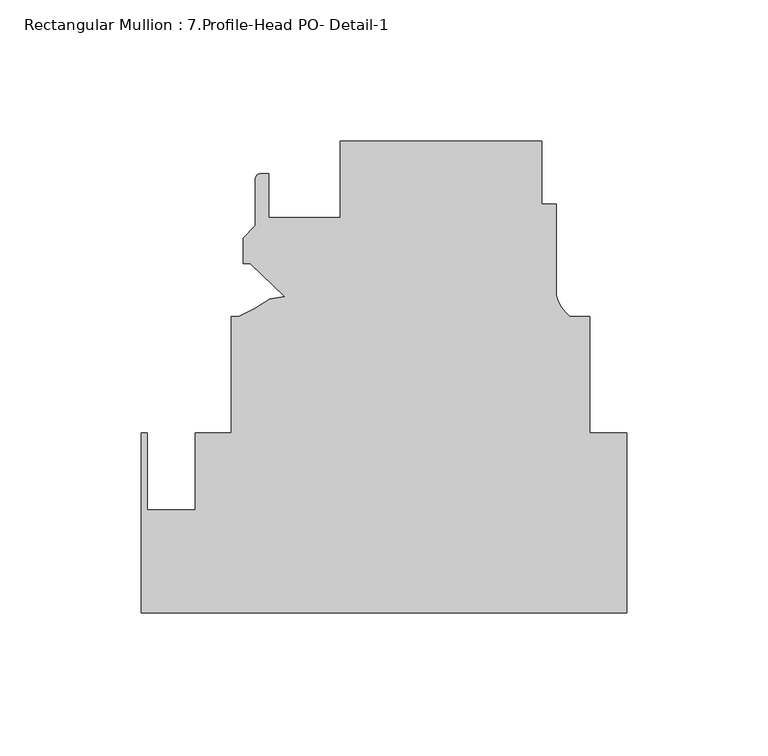
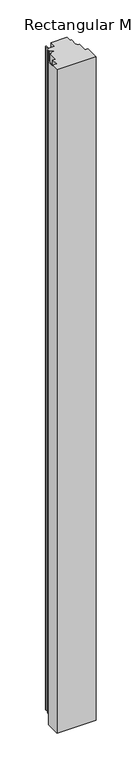
"""IFC4 building model written with IfcOpenShell, lengths in millimetres: member geometry, Rectangular Mullion : 7.Profile-Head PO- Detail-1."""

from ifc_helpers import new_model, si_unit, point, frame, frame_2d, origin, place, context, project, spatial, polyline, circle_curve, trimmed, segment, composite_curve, outline, extrude, source, transform, mapped, element, save


def rectangular_mullion_7_profile_head_po_detail_1_3763676f(model_context):
    return source(origin(), model_context, "Body", "SweptSolid", [
        extrude(outline(composite_curve([segment(polyline([(-29.993716, 166.6874997), (-29.993716, 144.4624997), (-24.913716, 144.4624997), (-24.913716, 112.0675123)]), True, "CONTINUOUS"), segment(trimmed(circle_curve(frame_2d((-11.6829023, 115.5946813)), 13.6928942), [point((-24.913716, 112.0675123))], [point((-20.0751512, 104.7749997))], True, "CARTESIAN"), True, "CONTINUOUS"), segment(polyline([(-20.0751512, 104.7749997), (-12.9296309, 104.7749997), (-12.9296309, 63.5254), (0.0, 63.5254), (0.0, 0.0), (-171.4499999, 0.0), (-171.4499999, 63.4999996), (-169.4179999, 63.4999996), (-169.4179999, 36.3401991), (-152.5173426, 36.3401991), (-152.5173426, 63.4999996), (-139.7010309, 63.4999996), (-139.7010309, 104.7749997), (-137.0039161, 104.7749997)]), True, "CONTINUOUS"), segment(trimmed(circle_curve(frame_2d((-158.9273579, 156.4307299)), 56.1155216), [point((-137.0039161, 104.7749997))], [point((-126.1709186, 110.8679441))], True, "CARTESIAN"), True, "CONTINUOUS"), segment(polyline([(-126.1709186, 110.8679441), (-120.7341349, 111.8265958), (-132.939916, 123.4511492), (-135.479916, 123.4511492), (-135.479916, 132.5514414), (-131.212716, 136.8186414), (-131.212716, 153.4231492)]), True, "CONTINUOUS"), segment(trimmed(circle_curve(frame_2d((-129.434716, 153.4231492)), 1.778), [point((-131.212716, 153.4231492))], [point((-129.434716, 155.2011492))], False, "CARTESIAN"), True, "CONTINUOUS"), segment(polyline([(-129.434716, 155.2011492), (-126.5137158, 155.2011492), (-126.5137158, 139.7000002), (-101.113716, 139.7000002), (-101.113716, 166.6874997), (-29.993716, 166.6874997)]), True, "CONTINUOUS")], self_intersect=False)), frame((0.0, 0.0, -3048.0), z_axis=(0.0, 0.0, 1.0), x_axis=(1.0, 0.0, 0.0)), (0.0, 0.0, 1.0), 3048.0),
    ])


if __name__ == "__main__":
    model = new_model("IFC4")
    model_context = context("Model", 3, world=origin())
    ifc_project = project(units=[si_unit("LENGTHUNIT", "METRE", prefix="MILLI")], contexts=[model_context])
    site = spatial("IfcSite", under=ifc_project)
    building = spatial("IfcBuilding", under=site)
    placement = place(None, origin())
    rectangular_mullion_7_profile_head_po_detail_1_shape = rectangular_mullion_7_profile_head_po_detail_1_3763676f(model_context)
    element("IfcMember", 1, ObjectType="Rectangular Mullion : 7.Profile-Head PO- Detail-1", at=placement, inside=building, context=model_context, shape_type="MappedRepresentation", body=[
        mapped(rectangular_mullion_7_profile_head_po_detail_1_shape, transform((0.0, 0.0, 0.0), x_axis=(1.0, 0.0, 0.0), y_axis=(0.0, 1.0, 0.0), z_axis=(0.0, 0.0, 1.0))),
    ])
    save(model, "model.ifc")
